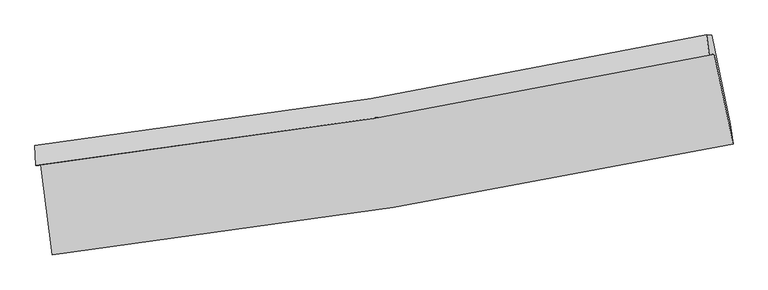
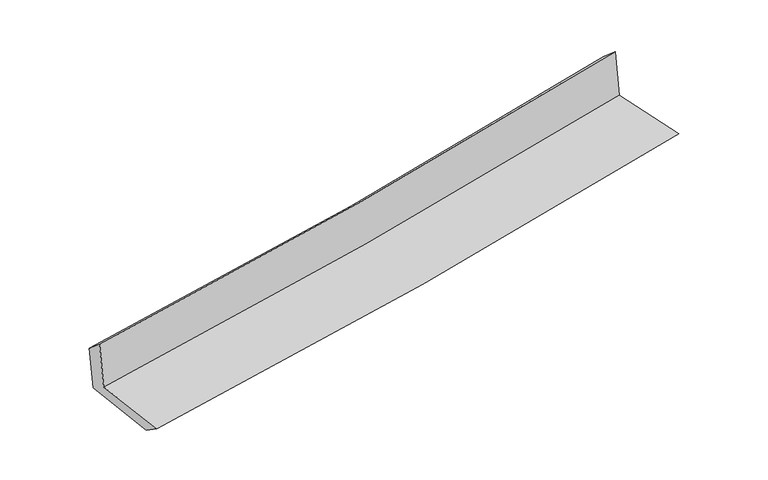
"""IFC4 building model written with IfcOpenShell, lengths in millimetres: proxy geometry."""

from ifc_helpers import new_model, si_unit, frame, origin, place, context, project, spatial, source, transform, mapped, element, save
from ifc_brep_helpers import plane_surface, spline_curve, spline_surface, advanced_brep


def generic_models_1e9e3b06(model_context):
    return source(origin(), model_context, "Body", "AdvancedBrep", [
        advanced_brep(
        [(-2472.1204623, -1886.9738969, 1658.6009181), (-2391.1546337, -2539.7855457, 1650.5867576), (2556.5630044, -1732.7912921, 2104.9232282), (2420.1050681, -1079.0864115, 2107.9088859), (-2509.4807081, -1891.6552185, 2062.6381596), (2382.4193855, -1088.8446575, 2522.0563336), (-2515.9468971, -1745.796009, 1940.6235861), (2363.7357848, -939.9696097, 2393.5092325), (-2480.8502068, -1749.1032427, 1571.1491783), (2400.7882918, -943.1990222, 2014.1736965), (-2399.6007369, -2392.3629492, 1547.6135758), (2536.7716082, -1587.3380466, 1995.3595103)],
        [
            (0, 1),
            (1, 2, spline_curve(3, [(-2391.1546337, -2539.7855457, 1650.5867576), (-1562.074587298, -2445.359221758, 1732.243213484), (-735.935044613, -2331.04778504, 1810.872383059), (913.324647193, -2062.188190639, 1962.338956549), (1736.424317495, -1907.501542633, 2035.15527758), (2556.5630044, -1732.7912921, 2104.9232282)], [4, 2, 4], [0.0, 8.20091954757469, 16.43034723411055])),
            (2, 3),
            (3, 0, spline_curve(3, [(2420.1050681, -1079.0864115, 2107.9088859), (1609.292749348, -1253.484811711, 2038.996943615), (795.488575841, -1408.090499042, 1967.028381694), (-835.273960301, -1677.249434653, 1817.237918312), (-1652.211630249, -1791.939575371, 1739.437157649), (-2472.1204623, -1886.9738969, 1658.6009181)], [4, 2, 4], [0.0, 8.229427686535859, 16.43034723411055])),
            (4, 0),
            (3, 5),
            (5, 4, spline_curve(3, [(2382.4193855, -1088.8446575, 2522.0563336), (1571.610972997, -1260.725516694, 2448.357833525), (757.835963363, -1413.650071548, 2373.154701881), (-872.817919345, -1681.122483418, 2220.004904074), (-1689.676273924, -1795.801448922, 2142.068644307), (-2509.4807081, -1891.6552185, 2062.6381596)], [4, 2, 4], [0.0, 8.184024842761339, 16.339698829744357])),
            (6, 4),
            (5, 7),
            (7, 6, spline_curve(3, [(2363.7357848, -939.9696097, 2393.5092325), (1555.491960075, -1113.883927106, 2318.763541796), (744.018673039, -1268.075639472, 2243.583991383), (-882.564557172, -1536.54803084, 2092.619108547), (-1697.652163779, -1650.965118285, 2016.836776914), (-2515.9468971, -1745.796009, 1940.6235861)], [4, 2, 4], [0.0, 8.1738629341418, 16.31941021508729])),
            (8, 6),
            (7, 9),
            (9, 8, spline_curve(3, [(2400.7882918, -943.1990222, 2014.1736965), (1592.534764888, -1117.163086349, 1937.751134842), (780.893084374, -1271.386136579, 1862.559218354), (-846.34318203, -1539.884341144, 1714.892890684), (-1661.914334301, -1654.296031006, 1642.409967688), (-2480.8502068, -1749.1032427, 1571.1491783)], [4, 2, 4], [0.0, 8.164879254870849, 16.301473977540287])),
            (10, 8),
            (9, 11),
            (11, 10, spline_curve(3, [(2536.7716082, -1587.3380466, 1995.3595103), (1719.297876438, -1761.482747065, 1918.135049733), (898.47709648, -1915.722428016, 1842.148061639), (-747.003500971, -2183.92639244, 1692.907975412), (-1571.640169776, -2298.02834574, 1619.646318746), (-2399.6007369, -2392.3629492, 1547.6135758)], [4, 2, 4], [0.0, 8.21019039759609, 16.39193929747597])),
            (1, 10),
            (11, 2),
        ],
        [
            spline_surface(3, 3, [[(-2472.1204623, -1886.9738969, 1658.6009181), (-1652.211630218, -1791.93957537, 1739.437157742), (-835.273960317, -1677.249434525, 1817.237918395), (795.488575858, -1408.09049917, 1967.028381611), (1609.292749378, -1253.484811586, 2038.996943568), (2420.1050681, -1079.0864115, 2107.9088859)], [(-2445.13185274, -2104.577779836, 1655.929531257), (-1622.165949183, -2009.746124155, 1737.039176332), (-802.160988423, -1895.182218026, 1815.116073229), (834.767266316, -1626.123062959, 1965.465239954), (1651.669938715, -1471.490388643, 2037.716388197), (2465.591046872, -1296.988038385, 2106.913666643)], [(-2418.14324326, -2322.181662764, 1653.258144443), (-1592.120268228, -2227.552672932, 1734.641194951), (-769.048016538, -2113.115001584, 1812.994228098), (874.045956766, -1844.155626806, 1963.902098334), (1694.047128035, -1689.495965645, 2036.435832896), (2511.077025628, -1514.889665215, 2105.918447457)], [(-2391.1546337, -2539.7855457, 1650.5867576), (-1562.074587193, -2445.359221718, 1732.243213541), (-735.935044644, -2331.047785084, 1810.872382932), (913.324647224, -2062.188190595, 1962.338956677), (1736.424317372, -1907.501542702, 2035.155277525), (2556.5630044, -1732.7912921, 2104.9232282)]], [4, 4], [4, 2, 4], [0.0, 2.174970263859299], [0.0, 8.20091954757469, 16.43034723411055]),
            spline_surface(3, 3, [[(-2509.4807081, -1891.6552185, 2062.6381596), (-1689.676273941, -1795.801449051, 2142.068644405), (-872.817919254, -1681.122483533, 2220.004904039), (757.835963271, -1413.650071432, 2373.154701917), (1571.610973127, -1260.725516649, 2448.357833616), (2382.4193855, -1088.8446575, 2522.0563336)], [(-2497.027292839, -1890.094777973, 1927.959079119), (-1677.188059372, -1794.51415783, 2007.85814887), (-860.303266271, -1679.831467216, 2085.74924215), (770.386834138, -1411.796880698, 2237.779261807), (1584.171565234, -1258.311948298, 2311.904203614), (2394.981279723, -1085.591908836, 2384.00718438)], [(-2484.573877561, -1888.534337427, 1793.279998581), (-1664.699844787, -1793.226866591, 1873.647653277), (-847.788613301, -1678.540450842, 1951.493580284), (782.937704991, -1409.943689905, 2102.40382172), (1596.732157272, -1255.898379937, 2175.45057357), (2407.543173877, -1082.339160164, 2245.95803512)], [(-2472.1204623, -1886.9738969, 1658.6009181), (-1652.211630218, -1791.93957537, 1739.437157742), (-835.273960317, -1677.249434525, 1817.237918395), (795.488575858, -1408.09049917, 1967.028381611), (1609.292749378, -1253.484811586, 2038.996943568), (2420.1050681, -1079.0864115, 2107.9088859)]], [4, 4], [4, 2, 4], [0.0, 1.3327550963930574], [0.0, 8.155673986983018, 16.339698829744357]),
            spline_surface(3, 3, [[(-2515.9468971, -1745.796009, 1940.6235861), (-1697.652163914, -1650.965118263, 2016.836776849), (-882.564557071, -1536.548030917, 2092.619108537), (744.018672938, -1268.075639394, 2243.583991393), (1555.491960098, -1113.88392697, 2318.763541837), (2363.7357848, -939.9696097, 2393.5092325)], [(-2513.791500779, -1794.415745507, 1981.295110585), (-1694.993533935, -1699.2438952, 2058.580732686), (-879.3156778, -1584.739515099, 2135.081040383), (748.624436382, -1316.60045005, 2286.774228246), (1560.864964442, -1162.831123519, 2361.961639081), (2369.963651701, -989.594625623, 2436.358266184)], [(-2511.636104421, -1843.035481993, 2021.966635115), (-1692.33490392, -1747.522672115, 2100.324688569), (-876.066798526, -1632.930999351, 2177.542972193), (753.230199827, -1365.125260777, 2329.964465064), (1566.237968783, -1211.7783201, 2405.159736372), (2376.191518599, -1039.219641577, 2479.207299916)], [(-2509.4807081, -1891.6552185, 2062.6381596), (-1689.676273941, -1795.801449051, 2142.068644405), (-872.817919254, -1681.122483533, 2220.004904039), (757.835963271, -1413.650071432, 2373.154701917), (1571.610973127, -1260.725516649, 2448.357833616), (2382.4193855, -1088.8446575, 2522.0563336)]], [4, 4], [4, 2, 4], [0.0, 0.6369707658787991], [0.0, 8.145547280945491, 16.31941021508729]),
            spline_surface(3, 3, [[(-2480.8502068, -1749.1032427, 1571.1491783), (-1661.914334399, -1654.296031, 1642.4099676), (-846.343182078, -1539.884341166, 1714.892890595), (780.893084422, -1271.386136557, 1862.559218444), (1592.534764948, -1117.163086239, 1937.751134829), (2400.7882918, -943.1990222, 2014.1736965)], [(-2492.549103565, -1748.000831451, 1694.307314248), (-1673.826944235, -1653.185726738, 1767.218904031), (-858.416973735, -1538.772237757, 1840.801629911), (768.601613935, -1270.28263751, 1989.567476095), (1580.187163305, -1116.070033143, 2064.755270504), (2388.437456107, -942.12255136, 2140.618875172)], [(-2504.248000335, -1746.898420249, 1817.465450152), (-1685.739554078, -1652.075422524, 1892.027840418), (-870.490765414, -1537.660134326, 1966.710369222), (756.310143425, -1269.179138441, 2116.575733742), (1567.839561741, -1114.976980066, 2191.759406162), (2376.086620493, -941.04608054, 2267.064053828)], [(-2515.9468971, -1745.796009, 1940.6235861), (-1697.652163914, -1650.965118263, 2016.836776849), (-882.564557071, -1536.548030917, 2092.619108537), (744.018672938, -1268.075639394, 2243.583991393), (1555.491960098, -1113.88392697, 2318.763541837), (2363.7357848, -939.9696097, 2393.5092325)]], [4, 4], [4, 2, 4], [0.0, 1.2504992325081268], [0.0, 8.136594722669438, 16.301473977540287]),
            spline_surface(3, 3, [[(-2399.6007369, -2392.3629492, 1547.6135758), (-1571.6401697, -2298.028345709, 1619.646318786), (-747.00350109, -2183.926392381, 1692.907975498), (898.4770966, -1915.722428076, 1842.148061553), (1719.297876353, -1761.482747186, 1918.135049669), (2536.7716082, -1587.3380466, 1995.3595103)], [(-2426.683893539, -2177.943047044, 1555.458776628), (-1601.731557939, -2083.450907483, 1627.234201718), (-780.116728097, -1969.245708639, 1700.236280517), (859.282425863, -1700.943664232, 1848.951780503), (1677.043505888, -1546.709526864, 1924.673744723), (2491.44383607, -1372.62503846, 2001.630905701)], [(-2453.767050161, -1963.523144856, 1563.303977472), (-1631.82294616, -1868.873469226, 1634.822084668), (-813.229955071, -1754.565024908, 1707.564585577), (820.087755159, -1486.1649004, 1855.755499494), (1634.789135413, -1331.936306562, 1931.212439775), (2446.11606393, -1157.91203034, 2007.902301099)], [(-2480.8502068, -1749.1032427, 1571.1491783), (-1661.914334399, -1654.296031, 1642.4099676), (-846.343182078, -1539.884341166, 1714.892890595), (780.893084422, -1271.386136557, 1862.559218444), (1592.534764948, -1117.163086239, 1937.751134829), (2400.7882918, -943.1990222, 2014.1736965)]], [4, 4], [4, 2, 4], [0.0, 2.144375692231088], [0.0, 8.181748899879882, 16.39193929747597]),
            spline_surface(3, 3, [[(-2391.1546337, -2539.7855457, 1650.5867576), (-1562.074587193, -2445.359221718, 1732.243213541), (-735.935044644, -2331.047785084, 1810.872382932), (913.324647224, -2062.188190595, 1962.338956677), (1736.424317372, -1907.501542702, 2035.155277525), (2556.5630044, -1732.7912921, 2104.9232282)], [(-2393.970001439, -2490.64468019, 1616.262363664), (-1565.263114701, -2396.248929705, 1694.710915286), (-739.62453013, -2282.00732087, 1771.550913807), (908.375463679, -2013.366269775, 1922.275324989), (1730.715503693, -1858.828610865, 1996.148534925), (2549.965872327, -1684.306876935, 2068.401988919)], [(-2396.785369161, -2441.50381471, 1581.937969736), (-1568.451642192, -2347.138637722, 1657.178617041), (-743.314015605, -2232.966856595, 1732.229444623), (903.426280144, -1964.544348895, 1882.211693242), (1725.006690032, -1810.155679023, 1957.141792268), (2543.368740273, -1635.822461765, 2031.880749581)], [(-2399.6007369, -2392.3629492, 1547.6135758), (-1571.6401697, -2298.028345709, 1619.646318786), (-747.00350109, -2183.926392381, 1692.907975498), (898.4770966, -1915.722428076, 1842.148061553), (1719.297876353, -1761.482747186, 1918.135049669), (2536.7716082, -1587.3380466, 1995.3595103)]], [4, 4], [4, 2, 4], [0.0, 0.6216001028785161], [0.0, 8.23590762747468, 16.500445019910877]),
            plane_surface(frame((2443.3971905, -1228.5381733, 2189.6551478), z_axis=(0.9746988824564398, 0.20303704328493818, 0.09347752453011202), x_axis=(-0.09721124995378412, 0.008472712167695972, 0.995227705618642))),
            plane_surface(frame((-2461.5256075, -2034.279477, 1738.5353626), z_axis=(-0.9882535291767485, -0.12143035027977185, -0.09278810322791092), x_axis=(-0.1230741368487199, 0.9923227059057943, 0.01218212554298564))),
        ],
        [
            (0, [[1, 2, 3, 4]]),
            (1, [[5, -4, 6, 7]]),
            (2, [[8, -7, 9, 10]]),
            (3, [[11, -10, 12, 13]]),
            (4, [[14, -13, 15, 16]]),
            (5, [[17, -16, 18, -2]]),
            (6, [[-12, -9, -6, -3, -18, -15]]),
            (7, [[-1, -5, -8, -11, -14, -17]]),
        ],
    ),
    ])


if __name__ == "__main__":
    model = new_model("IFC4")
    model_context = context("Model", 3, world=origin())
    ifc_project = project(units=[si_unit("LENGTHUNIT", "METRE", prefix="MILLI")], contexts=[model_context])
    site = spatial("IfcSite", under=ifc_project)
    building = spatial("IfcBuilding", under=site)
    placement = place(None, origin())
    generic_models_shape = generic_models_1e9e3b06(model_context)
    element("IfcBuildingElementProxy", 1, Name="Generic Models", at=placement, inside=building, context=model_context, shape_type="MappedRepresentation", body=[
        mapped(generic_models_shape, transform((0.0, 0.0, 0.0), x_axis=(1.0, 0.0, 0.0), y_axis=(0.0, 1.0, 0.0), z_axis=(0.0, 0.0, 1.0))),
    ])
    save(model, "model.ifc")
